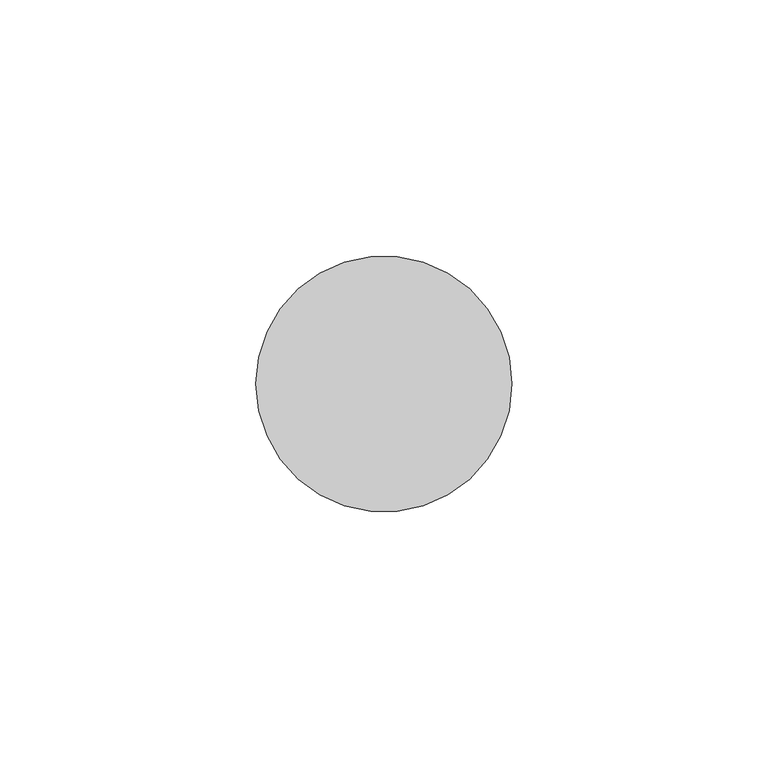
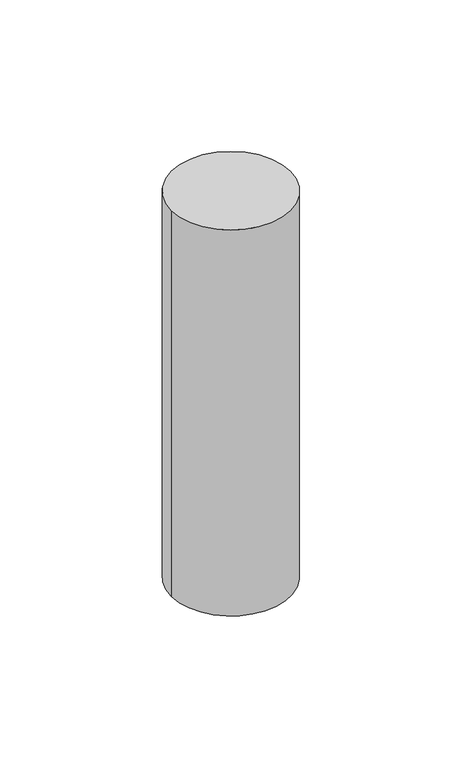
"""IFC4 building model written with IfcOpenShell, lengths in millimetres: member geometry."""

from ifc_helpers import new_model, si_unit, point, frame, origin, origin_2d, place, context, project, spatial, circle_curve, trimmed, segment, composite_curve, outline, extrude, source, transform, mapped, element, save


def member_3ed9f733(model_context):
    return source(origin(), model_context, "Body", "SweptSolid", [
        extrude(outline(composite_curve([segment(trimmed(circle_curve(origin_2d(), 25.0), [point((25.0, 0.0))], [point((-25.0, 0.0))], False, "CARTESIAN"), True, "CONTINUOUS"), segment(trimmed(circle_curve(origin_2d(), 25.0), [point((-25.0, 0.0))], [point((25.0, 0.0))], False, "CARTESIAN"), True, "CONTINUOUS")], self_intersect=False)), frame((0.0, 0.0, -171.8691656), z_axis=(0.0, 0.0, 1.0), x_axis=(1.0, 0.0, 0.0)), (0.0, 0.0, 1.0), 171.8691656),
    ])


if __name__ == "__main__":
    model = new_model("IFC4")
    model_context = context("Model", 3, world=origin())
    ifc_project = project(units=[si_unit("LENGTHUNIT", "METRE", prefix="MILLI")], contexts=[model_context])
    site = spatial("IfcSite", under=ifc_project)
    building = spatial("IfcBuilding", under=site)
    placement = place(None, origin())
    member_shape = member_3ed9f733(model_context)
    element("IfcMember", 1, at=placement, inside=building, context=model_context, shape_type="MappedRepresentation", body=[
        mapped(member_shape, transform((0.0, 0.0, 0.0), x_axis=(1.0, 0.0, 0.0), y_axis=(0.0, 1.0, 0.0), z_axis=(0.0, 0.0, 1.0))),
    ])
    save(model, "model.ifc")
